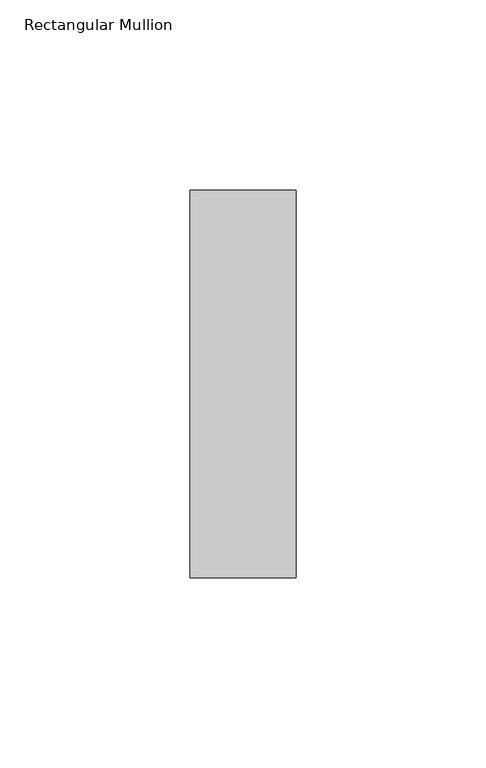
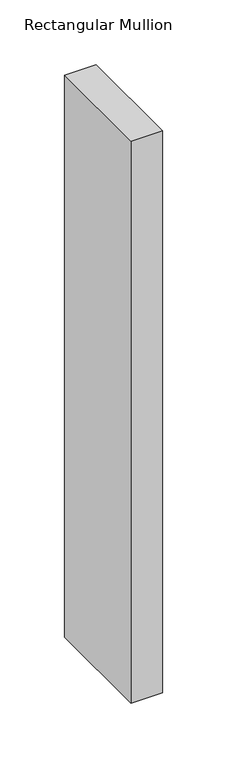
"""IFC4 building model written with IfcOpenShell, lengths in millimetres: member geometry, Rectangular Mullion."""

from ifc_helpers import new_model, si_unit, frame, origin, place, context, project, spatial, polyline, outline, extrude, source, transform, mapped, element, save


def rectangular_mullion_1b14e89d(model_context):
    return source(origin(), model_context, "Body", "SweptSolid", [
        extrude(outline(polyline([(0.0, -51.0), (-28.0, -51.0), (-28.0, 51.0), (0.0, 51.0), (0.0, -51.0)])), frame((0.0, 0.0, -528.804515), z_axis=(0.0, 0.0, 1.0), x_axis=(1.0, 0.0, 0.0)), (0.0, 0.0, 1.0), 528.804515),
    ])


if __name__ == "__main__":
    model = new_model("IFC4")
    model_context = context("Model", 3, world=origin())
    ifc_project = project(units=[si_unit("LENGTHUNIT", "METRE", prefix="MILLI")], contexts=[model_context])
    site = spatial("IfcSite", under=ifc_project)
    building = spatial("IfcBuilding", under=site)
    placement = place(None, origin())
    rectangular_mullion_shape = rectangular_mullion_1b14e89d(model_context)
    element("IfcMember", 1, ObjectType="Rectangular Mullion", at=placement, inside=building, context=model_context, shape_type="MappedRepresentation", body=[
        mapped(rectangular_mullion_shape, transform((0.0, 0.0, 0.0), x_axis=(1.0, 0.0, 0.0), y_axis=(0.0, 1.0, 0.0), z_axis=(0.0, 0.0, 1.0))),
    ])
    save(model, "model.ifc")
